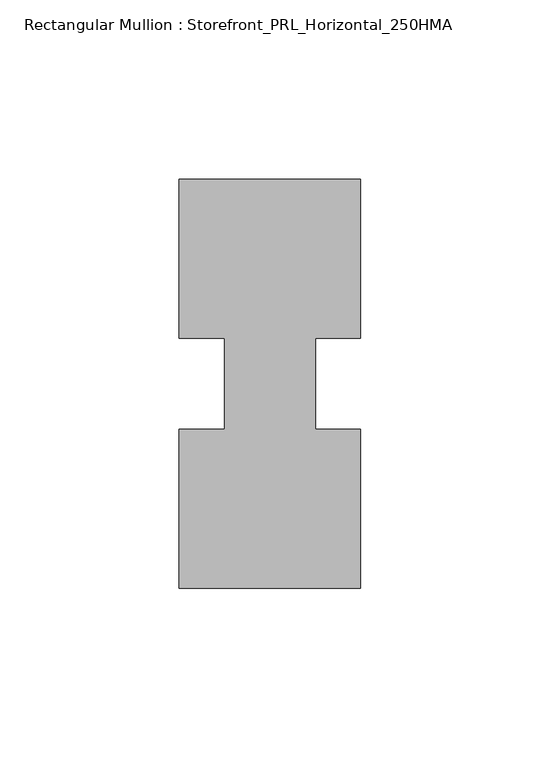
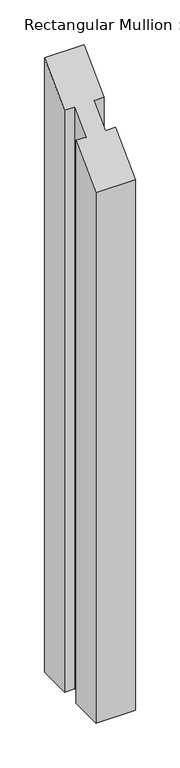
"""IFC4 building model written with IfcOpenShell, lengths in millimetres: member geometry, Rectangular Mullion : Storefront_PRL_Horizontal_250HMA."""

from ifc_helpers import new_model, si_unit, origin, place, context, project, spatial, faceted_brep, source, transform, mapped, element, save


def rectangular_mullion_storefront_prl_horizontal_250hma_e6953c61(model_context):
    return source(origin(), model_context, "Body", "Brep", [
        faceted_brep([(-12.7, -12.7, -778.9333333), (-12.7, 12.7, -778.9333333), (-25.4, 12.7, -778.9333333), (-25.4, 57.15, -778.9333333), (25.4, 57.15, -778.9333333), (25.4, 12.7, -778.9333333), (12.7, 12.7, -778.9333333), (12.7, -12.7, -778.9333333), (25.4, -12.7, -778.9333333), (25.4, -57.15, -778.9333333), (-25.4, -57.15, -778.9333333), (-25.4, -12.7, -778.9333333), (-25.4, -12.7, -12.7), (-12.7, -12.7, -12.7), (-25.4, -57.15, -57.15), (25.4, -57.15, -57.15), (25.4, -12.7, -12.7), (12.7, -12.7, -12.7), (12.7, 12.7, 12.7), (25.4, 12.7, 12.7), (25.4, 57.15, 57.15), (-25.4, 57.15, 57.15), (-25.4, 12.7, 12.7), (-12.7, 12.7, 12.7)], [[[0, 1, 2, 3, 4, 5, 6, 7, 8, 9, 10, 11]], [[12, 13, 0, 11]], [[14, 12, 11, 10]], [[15, 14, 10, 9]], [[16, 15, 9, 8]], [[17, 16, 8, 7]], [[18, 17, 7, 6]], [[19, 18, 6, 5]], [[20, 19, 5, 4]], [[21, 20, 4, 3]], [[22, 21, 3, 2]], [[23, 22, 2, 1]], [[13, 23, 1, 0]], [[13, 12, 14, 15, 16, 17, 18, 19, 20, 21, 22, 23]]]),
    ])


if __name__ == "__main__":
    model = new_model("IFC4")
    model_context = context("Model", 3, world=origin())
    ifc_project = project(units=[si_unit("LENGTHUNIT", "METRE", prefix="MILLI")], contexts=[model_context])
    site = spatial("IfcSite", under=ifc_project)
    building = spatial("IfcBuilding", under=site)
    placement = place(None, origin())
    rectangular_mullion_storefront_prl_horizontal_250hma_shape = rectangular_mullion_storefront_prl_horizontal_250hma_e6953c61(model_context)
    element("IfcMember", 1, ObjectType="Rectangular Mullion : Storefront_PRL_Horizontal_250HMA", at=placement, inside=building, context=model_context, shape_type="MappedRepresentation", body=[
        mapped(rectangular_mullion_storefront_prl_horizontal_250hma_shape, transform((0.0, 0.0, 0.0), x_axis=(1.0, 0.0, 0.0), y_axis=(0.0, 1.0, 0.0), z_axis=(0.0, 0.0, 1.0))),
    ])
    save(model, "model.ifc")
